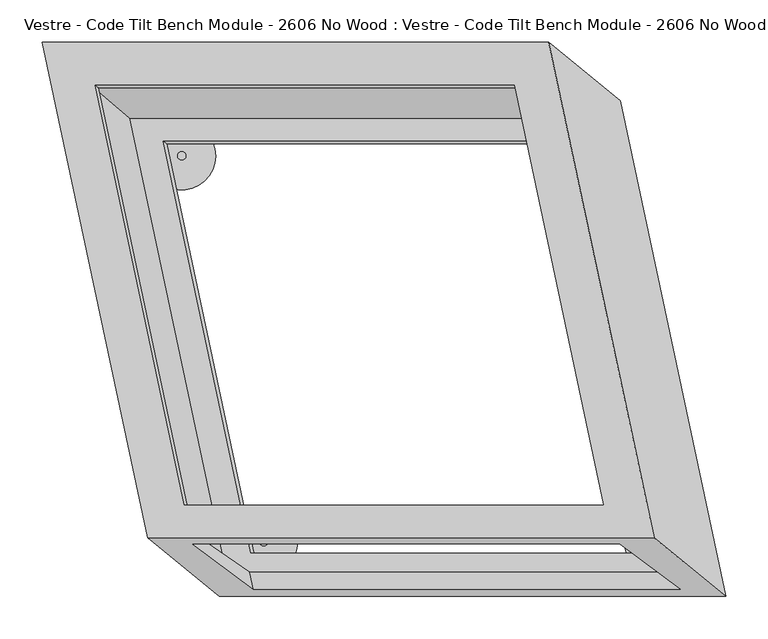
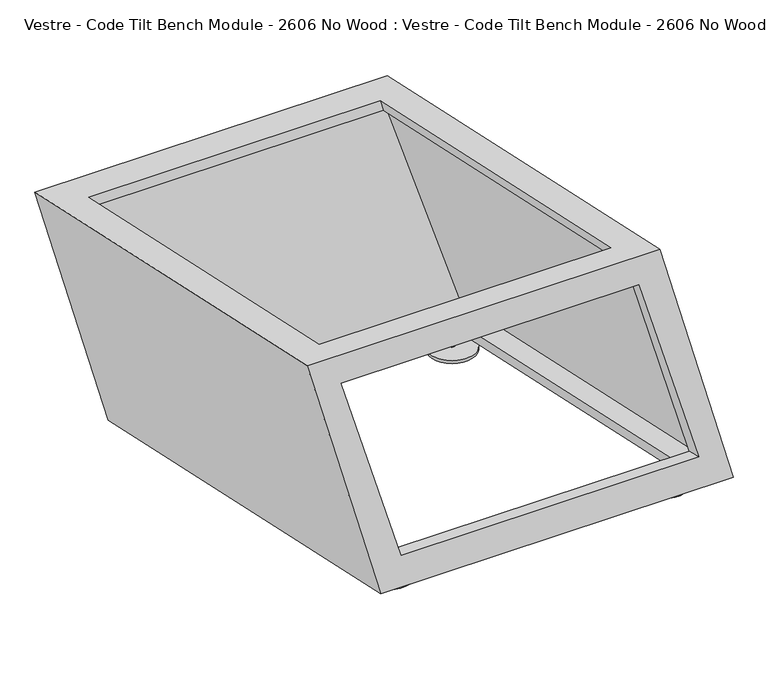
"""IFC4 building model written with IfcOpenShell, lengths in millimetres: furniture geometry, Vestre - Code Tilt Bench Module - 2606 No Wood : Vestre - Code Tilt Bench Module - 2606 No Wood."""

from ifc_helpers import new_model, si_unit, point, frame, frame_2d, origin, origin_with_axes, place, context, project, spatial, circle_curve, trimmed, segment, composite_curve, outline, extrude, faceted_brep, source, transform, mapped, element, save
from ifc_brep_helpers import plane_surface, cylinder_surface, advanced_brep


def vestre_code_tilt_bench_module_2606_no_wood_vestre_code_tilt_ed151cad(model_context):
    return source(origin(), model_context, "Body", "SolidModel", [
        extrude(outline(composite_curve([segment(trimmed(circle_curve(frame_2d((-282.0328456, 228.5027868)), 5.0), [point((-287.0328456, 228.5027868))], [point((-277.0328456, 228.5027868))], False, "CARTESIAN"), True, "CONTINUOUS"), segment(trimmed(circle_curve(frame_2d((-282.0328456, 228.5027868)), 5.0), [point((-277.0328456, 228.5027868))], [point((-287.0328456, 228.5027868))], False, "CARTESIAN"), True, "CONTINUOUS")], self_intersect=False)), frame((0.0, 0.0, 5.0), z_axis=(0.0, 0.0, 1.0), x_axis=(1.0, 0.0, 0.0)), (0.0, 0.0, 1.0), 19.928755),
        extrude(outline(composite_curve([segment(trimmed(circle_curve(frame_2d((-281.9772057, 228.2596966)), 40.0), [point((-321.9772057, 228.2596966))], [point((-241.9772057, 228.2596966))], False, "CARTESIAN"), True, "CONTINUOUS"), segment(trimmed(circle_curve(frame_2d((-281.9772057, 228.2596966)), 40.0), [point((-241.9772057, 228.2596966))], [point((-321.9772057, 228.2596966))], False, "CARTESIAN"), True, "CONTINUOUS")], self_intersect=False)), origin_with_axes(), (0.0, 0.0, 1.0), 5.0),
        extrude(outline(composite_curve([segment(trimmed(circle_curve(frame_2d((184.9661106, 228.5027868)), 5.0), [point((179.9661106, 228.5027868))], [point((189.9661106, 228.5027868))], False, "CARTESIAN"), True, "CONTINUOUS"), segment(trimmed(circle_curve(frame_2d((184.9661106, 228.5027868)), 5.0), [point((189.9661106, 228.5027868))], [point((179.9661106, 228.5027868))], False, "CARTESIAN"), True, "CONTINUOUS")], self_intersect=False)), frame((0.0, 0.0, 5.0), z_axis=(0.0, 0.0, 1.0), x_axis=(1.0, 0.0, 0.0)), (0.0, 0.0, 1.0), 19.928755),
        extrude(outline(composite_curve([segment(trimmed(circle_curve(frame_2d((185.0217505, 228.2596966)), 40.0), [point((145.0217505, 228.2596966))], [point((225.0217505, 228.2596966))], False, "CARTESIAN"), True, "CONTINUOUS"), segment(trimmed(circle_curve(frame_2d((185.0217505, 228.2596966)), 40.0), [point((225.0217505, 228.2596966))], [point((145.0217505, 228.2596966))], False, "CARTESIAN"), True, "CONTINUOUS")], self_intersect=False)), origin_with_axes(), (0.0, 0.0, 1.0), 5.0),
        extrude(outline(composite_curve([segment(trimmed(circle_curve(frame_2d((282.1707135, -228.4385142)), 5.0), [point((277.1707135, -228.4385142))], [point((287.1707135, -228.4385142))], False, "CARTESIAN"), True, "CONTINUOUS"), segment(trimmed(circle_curve(frame_2d((282.1707135, -228.4385142)), 5.0), [point((287.1707135, -228.4385142))], [point((277.1707135, -228.4385142))], False, "CARTESIAN"), True, "CONTINUOUS")], self_intersect=False)), frame((0.0, 0.0, 5.0), z_axis=(0.0, 0.0, 1.0), x_axis=(1.0, 0.0, 0.0)), (0.0, 0.0, 1.0), 19.928755),
        extrude(outline(composite_curve([segment(trimmed(circle_curve(frame_2d((282.2263535, -228.6816045)), 40.0), [point((242.2263535, -228.6816045))], [point((322.2263535, -228.6816045))], False, "CARTESIAN"), True, "CONTINUOUS"), segment(trimmed(circle_curve(frame_2d((282.2263535, -228.6816045)), 40.0), [point((322.2263535, -228.6816045))], [point((242.2263535, -228.6816045))], False, "CARTESIAN"), True, "CONTINUOUS")], self_intersect=False)), origin_with_axes(), (0.0, 0.0, 1.0), 5.0),
        advanced_brep(
        [(-189.8930564, -228.4385142, 24.928755), (-179.8930564, -228.4385142, 24.928755), (-189.8930564, -228.4385142, 5.0), (-179.8930564, -228.4385142, 5.0), (-224.8374164, -228.6816045, 5.0), (-144.8374164, -228.6816045, 5.0), (-224.8374164, -228.6816045, 0.0), (-144.8374164, -228.6816045, 0.0)],
        [
            (0, 1, circle_curve(frame((-184.8930564, -228.4385142, 24.928755), z_axis=(0.0, 0.0, 1.0), x_axis=(1.0, 0.0, 0.0)), 5.0)),
            (1, 0, circle_curve(frame((-184.8930564, -228.4385142, 24.928755), z_axis=(0.0, 0.0, 1.0), x_axis=(1.0, 0.0, 0.0)), 5.0)),
            (0, 2),
            (2, 3, circle_curve(frame((-184.8930564, -228.4385142, 5.0), z_axis=(0.0, 0.0, 1.0), x_axis=(1.0, 0.0, 0.0)), 5.0)),
            (3, 1),
            (3, 2, circle_curve(frame((-184.8930564, -228.4385142, 5.0), z_axis=(0.0, 0.0, 1.0), x_axis=(1.0, 0.0, 0.0)), 5.0)),
            (4, 5, circle_curve(frame((-184.8374164, -228.6816045, 5.0), z_axis=(0.0, 0.0, 1.0), x_axis=(1.0, 0.0, 0.0)), 40.0)),
            (5, 4, circle_curve(frame((-184.8374164, -228.6816045, 5.0), z_axis=(0.0, 0.0, 1.0), x_axis=(1.0, 0.0, 0.0)), 40.0)),
            (6, 7, circle_curve(frame((-184.8374164, -228.6816045, 0.0), z_axis=(0.0, 0.0, -1.0), x_axis=(1.0, 0.0, 0.0)), 40.0)),
            (7, 6, circle_curve(frame((-184.8374164, -228.6816045, 0.0), z_axis=(0.0, 0.0, -1.0), x_axis=(1.0, 0.0, 0.0)), 40.0)),
            (4, 6),
            (7, 5),
        ],
        [
            plane_surface(frame((-179.8930564, -228.4385142, 24.928755), z_axis=(0.0, 0.0, 1.0), x_axis=(0.0, 1.0, 0.0))),
            cylinder_surface(frame((-184.8930564, -228.4385142, 5.0), z_axis=(0.0, 0.0, 1.0), x_axis=(1.0, 0.0, 0.0)), 5.0),
            plane_surface(frame((-144.8374164, -228.6816045, 5.0), z_axis=(0.0, 0.0, 1.0), x_axis=(0.0, 1.0, 0.0))),
            plane_surface(frame((-144.8374164, -228.6816045, 0.0), z_axis=(0.0, 0.0, -1.0), x_axis=(0.0, -1.0, 0.0))),
            cylinder_surface(frame((-184.8374164, -228.6816045, 0.0), z_axis=(0.0, 0.0, 1.0), x_axis=(1.0, 0.0, 0.0)), 40.0),
        ],
        [
            (0, [[1, 2]]),
            (1, [[-1, 3, 4, 5]]),
            (1, [[-2, -5, 6, -3]]),
            (2, [[7, 8], [-4, -6]]),
            (3, [[9, 10]]),
            (4, [[-7, 11, -10, 12]]),
            (4, [[-8, -12, -9, -11]]),
        ],
    ),
        faceted_brep([(152.6779909, 362.9784336, 419.8134138), (-447.3220091, 362.9784336, 419.8134138), (-322.5749946, -223.9101268, 419.8134138), (277.4250054, -223.9101268, 419.8134138), (-384.6614061, 312.2208839, 419.8134138), (111.5950883, 312.2208839, 419.8134138), (217.200313, -184.6126361, 419.8134138), (-279.0561813, -184.6126361, 419.8134138), (237.6264928, 293.4442802, 21.8677277), (362.3735072, -293.4442802, 21.8677277), (-237.6264928, -293.4442802, 21.8677277), (-362.3735072, 293.4442802, 21.8677277), (196.5435902, 242.6867305, 21.8677277), (-299.7129042, 242.6867305, 21.8677277), (-196.1503245, -244.5369002, 21.8677277), (300.1061699, -244.5369002, 21.8677277), (-269.0294196, -231.7848414, 374.7462265), (237.0291749, -231.7848414, 374.7462265), (308.6447246, -284.7076416, 71.8677277), (-197.4138699, -284.7076416, 71.8677277), (-381.1121334, 309.3156453, 403.1866612), (115.1443609, 309.3156453, 403.1866612), (192.4591078, 246.0300623, 41.0016985), (-303.7973866, 246.0300623, 41.0016985), (-275.5922534, -187.1163595, 403.1866612), (-200.1365927, -241.6556298, 41.0016985), (220.664241, -187.1163595, 403.1866612), (296.1199017, -241.6556298, 41.0016985), (127.6313712, 332.9707916, 403.1866612), (243.4746973, -212.0292084, 403.1866612), (-298.365818, -212.0292084, 403.1866612), (-414.2091441, 332.9707916, 403.1866612), (225.4868228, 272.8781405, 41.0016985), (-343.6743593, 272.8781405, 41.0016985), (-228.3217228, -269.8133464, 41.0016985), (340.8394593, -269.8133464, 41.0016985), (233.794456, -216.5666856, 374.7462265), (-272.2641384, -216.5666856, 374.7462265), (-201.6264773, -264.8888821, 71.8677277), (304.4321172, -264.8888821, 71.8677277)], [[[0, 1, 2, 3], [4, 5, 6, 7]], [[8, 9, 10, 11], [12, 13, 14, 15]], [[1, 0, 8, 11]], [[2, 1, 11, 10]], [[3, 2, 10, 9], [16, 17, 18, 19]], [[0, 3, 9, 8]], [[5, 4, 20, 21]], [[13, 12, 22, 23]], [[4, 7, 24, 20]], [[14, 13, 23, 25]], [[7, 6, 26, 24]], [[15, 14, 25, 27]], [[6, 5, 21, 26]], [[12, 15, 27, 22]], [[28, 29, 30, 31], [21, 20, 24, 26]], [[32, 33, 34, 35], [23, 22, 27, 25]], [[28, 31, 33, 32]], [[31, 30, 34, 33]], [[30, 29, 35, 34], [36, 37, 38, 39]], [[29, 28, 32, 35]], [[16, 37, 36, 17]], [[38, 19, 18, 39]], [[37, 16, 19, 38]], [[17, 36, 39, 18]]]),
    ])


if __name__ == "__main__":
    model = new_model("IFC4")
    model_context = context("Model", 3, world=origin())
    ifc_project = project(units=[si_unit("LENGTHUNIT", "METRE", prefix="MILLI")], contexts=[model_context])
    site = spatial("IfcSite", under=ifc_project)
    building = spatial("IfcBuilding", under=site)
    placement = place(None, origin())
    vestre_code_tilt_bench_module_2606_no_wood_vestre_code_tilt_shape = vestre_code_tilt_bench_module_2606_no_wood_vestre_code_tilt_ed151cad(model_context)
    element("IfcFurniture", 1, ObjectType="Vestre - Code Tilt Bench Module - 2606 No Wood : Vestre - Code Tilt Bench Module - 2606 No Wood", at=placement, inside=building, context=model_context, shape_type="MappedRepresentation", body=[
        mapped(vestre_code_tilt_bench_module_2606_no_wood_vestre_code_tilt_shape, transform((0.0, 0.0, 0.0), x_axis=(1.0, 0.0, 0.0), y_axis=(0.0, 1.0, 0.0), z_axis=(0.0, 0.0, 1.0))),
    ])
    save(model, "model.ifc")
